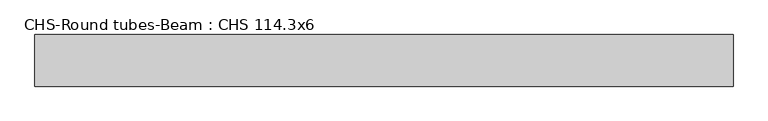
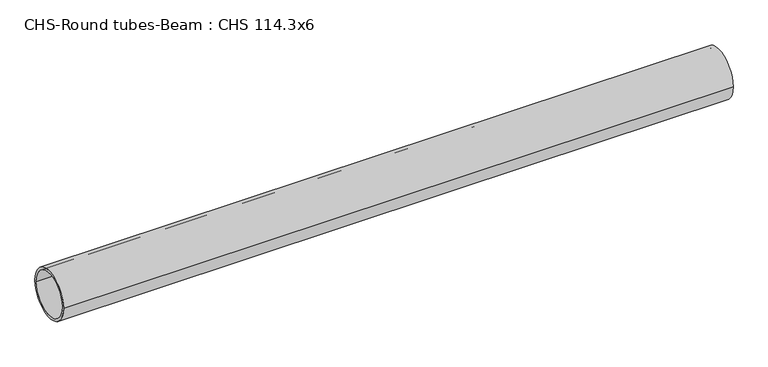
"""IFC4 building model written with IfcOpenShell, lengths in millimetres: beam geometry, CHS-Round tubes-Beam : CHS 114.3x6."""

from ifc_helpers import new_model, si_unit, point, frame, origin, origin_2d, place, context, project, spatial, circle_curve, trimmed, segment, composite_curve, outline, extrude, source, transform, mapped, element, save


def chs_round_tubes_beam_chs_114_3x6_94b64a7a(model_context):
    return source(origin(), model_context, "Body", "SweptSolid", [
        extrude(outline(composite_curve([segment(trimmed(circle_curve(origin_2d(), 57.15), [point((57.15, 0.0))], [point((-57.15, 0.0))], False, "CARTESIAN"), True, "CONTINUOUS"), segment(trimmed(circle_curve(origin_2d(), 57.15), [point((-57.15, 0.0))], [point((57.15, 0.0))], False, "CARTESIAN"), True, "CONTINUOUS")], self_intersect=False), holes=[composite_curve([segment(trimmed(circle_curve(origin_2d(), 51.15), [point((51.15, 0.0))], [point((-51.15, 0.0))], True, "CARTESIAN"), True, "CONTINUOUS"), segment(trimmed(circle_curve(origin_2d(), 51.15), [point((-51.15, 0.0))], [point((51.15, 0.0))], True, "CARTESIAN"), True, "CONTINUOUS")], self_intersect=False)]), frame((-741.2743523, 0.0, 0.0), z_axis=(1.0, 0.0, 0.0), x_axis=(0.0, 1.0, 0.0)), (0.0, 0.0, 1.0), 1544.7571479),
    ])


if __name__ == "__main__":
    model = new_model("IFC4")
    model_context = context("Model", 3, world=origin())
    ifc_project = project(units=[si_unit("LENGTHUNIT", "METRE", prefix="MILLI")], contexts=[model_context])
    site = spatial("IfcSite", under=ifc_project)
    building = spatial("IfcBuilding", under=site)
    placement = place(None, origin())
    chs_round_tubes_beam_chs_114_3x6_shape = chs_round_tubes_beam_chs_114_3x6_94b64a7a(model_context)
    element("IfcBeam", 1, ObjectType="CHS-Round tubes-Beam : CHS 114.3x6", at=placement, inside=building, context=model_context, shape_type="MappedRepresentation", body=[
        mapped(chs_round_tubes_beam_chs_114_3x6_shape, transform((0.0, 0.0, 0.0), x_axis=(1.0, 0.0, 0.0), y_axis=(0.0, 1.0, 0.0), z_axis=(0.0, 0.0, 1.0))),
    ])
    save(model, "model.ifc")
